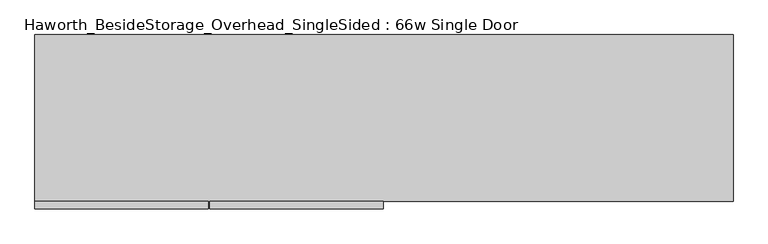
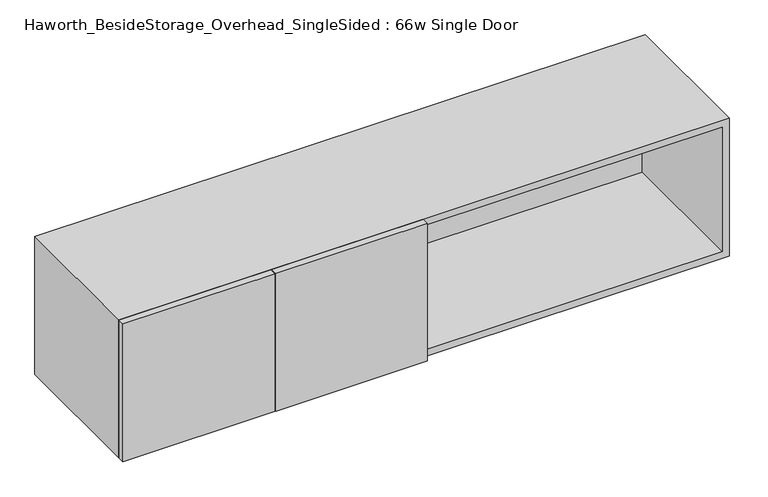
"""IFC4 building model written with IfcOpenShell, lengths in millimetres: furniture geometry, Haworth_BesideStorage_Overhead_SingleSided : 66w Single Door."""

from ifc_helpers import new_model, si_unit, frame, origin, place, context, project, spatial, polyline, outline, extrude, source, transform, mapped, element, save


def haworth_besidestorage_overhead_singlesided_66w_single_door_a1a94c8f(model_context):
    return source(origin(), model_context, "Body", "SweptSolid", [
        extrude(outline(polyline([(-253.20625, -419.1), (-253.20625, -400.05), (163.5125, -400.05), (163.5125, -419.1), (-253.20625, -419.1)])), frame((0.0, 0.0, 762.0), z_axis=(0.0, 0.0, 1.0), x_axis=(1.0, 0.0, 0.0)), (0.0, 0.0, 1.0), 400.05),
        extrude(outline(polyline([(-256.38125, -419.1), (-673.1, -419.1), (-673.1, -400.05), (-256.38125, -400.05), (-256.38125, -419.1)])), frame((0.0, 0.0, 762.0), z_axis=(0.0, 0.0, 1.0), x_axis=(1.0, 0.0, 0.0)), (0.0, 0.0, 1.0), 400.05),
        extrude(outline(polyline([(174.625, -400.05), (155.575, -400.05), (155.575, -19.05), (174.625, -19.05), (174.625, -400.05)])), frame((0.0, 0.0, 781.05), z_axis=(0.0, 0.0, 1.0), x_axis=(1.0, 0.0, 0.0)), (0.0, 0.0, 1.0), 361.95),
        extrude(outline(polyline([(984.25, -19.05), (-654.05, -19.05), (-654.05, 0.0), (984.25, 0.0), (984.25, -19.05)])), frame((0.0, 0.0, 781.05), z_axis=(0.0, 0.0, 1.0), x_axis=(1.0, 0.0, 0.0)), (0.0, 0.0, 1.0), 361.95),
        extrude(outline(polyline([(762.0, 1003.3), (1162.05, 1003.3), (1162.05, -673.1), (762.0, -673.1), (762.0, 1003.3)]), holes=[polyline([(1143.0, 984.25), (781.05, 984.25), (781.05, -654.05), (1143.0, -654.05), (1143.0, 984.25)])]), frame((0.0, -400.05, 0.0), z_axis=(0.0, 1.0, 0.0), x_axis=(0.0, 0.0, 1.0)), (0.0, 0.0, 1.0), 400.05),
    ])


if __name__ == "__main__":
    model = new_model("IFC4")
    model_context = context("Model", 3, world=origin())
    ifc_project = project(units=[si_unit("LENGTHUNIT", "METRE", prefix="MILLI")], contexts=[model_context])
    site = spatial("IfcSite", under=ifc_project)
    building = spatial("IfcBuilding", under=site)
    placement = place(None, origin())
    haworth_besidestorage_overhead_singlesided_66w_single_door_shape = haworth_besidestorage_overhead_singlesided_66w_single_door_a1a94c8f(model_context)
    element("IfcFurniture", 1, ObjectType="Haworth_BesideStorage_Overhead_SingleSided : 66w Single Door", at=placement, inside=building, context=model_context, shape_type="MappedRepresentation", body=[
        mapped(haworth_besidestorage_overhead_singlesided_66w_single_door_shape, transform((0.0, 0.0, 0.0), x_axis=(1.0, 0.0, 0.0), y_axis=(0.0, 1.0, 0.0), z_axis=(0.0, 0.0, 1.0))),
    ])
    save(model, "model.ifc")
